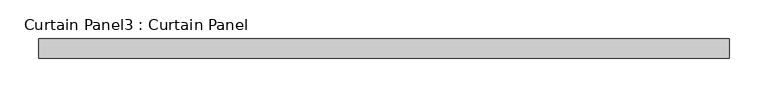
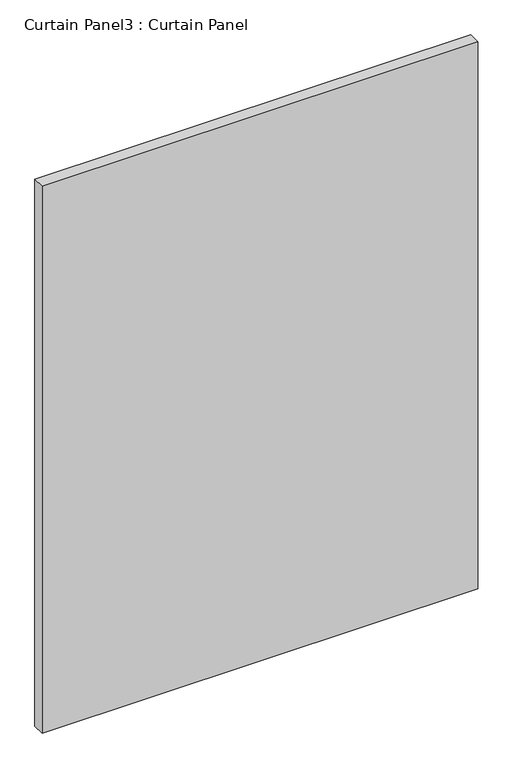
"""IFC4 building model written with IfcOpenShell, lengths in millimetres: plate geometry, Curtain Panel3 : Curtain Panel."""

from ifc_helpers import new_model, si_unit, frame, origin, place, context, project, spatial, polyline, outline, extrude, source, transform, mapped, element, save


def curtain_panel3_curtain_panel_5203a721(model_context):
    return source(origin(), model_context, "Body", "SweptSolid", [
        extrude(outline(polyline([(-25251.7346264, 9468.7682302), (-26148.2276264, 9468.7682302), (-26148.2276264, 9494.1682302), (-25251.7346264, 9494.1682302), (-25251.7346264, 9468.7682302)])), frame((0.0, 0.0, 2468.5515916), z_axis=(0.0, 0.0, 1.0), x_axis=(1.0, 0.0, 0.0)), (0.0, 0.0, 1.0), 1189.0484084),
    ])


if __name__ == "__main__":
    model = new_model("IFC4")
    model_context = context("Model", 3, world=origin())
    ifc_project = project(units=[si_unit("LENGTHUNIT", "METRE", prefix="MILLI")], contexts=[model_context])
    site = spatial("IfcSite", under=ifc_project)
    building = spatial("IfcBuilding", under=site)
    placement = place(None, origin())
    curtain_panel3_curtain_panel_shape = curtain_panel3_curtain_panel_5203a721(model_context)
    element("IfcPlate", 1, ObjectType="Curtain Panel3 : Curtain Panel", at=placement, inside=building, context=model_context, shape_type="MappedRepresentation", body=[
        mapped(curtain_panel3_curtain_panel_shape, transform((0.0, 0.0, 0.0), x_axis=(1.0, 0.0, 0.0), y_axis=(0.0, 1.0, 0.0), z_axis=(0.0, 0.0, 1.0))),
    ])
    save(model, "model.ifc")
